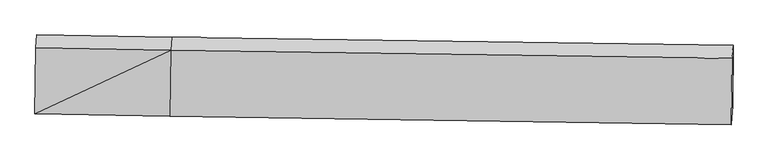
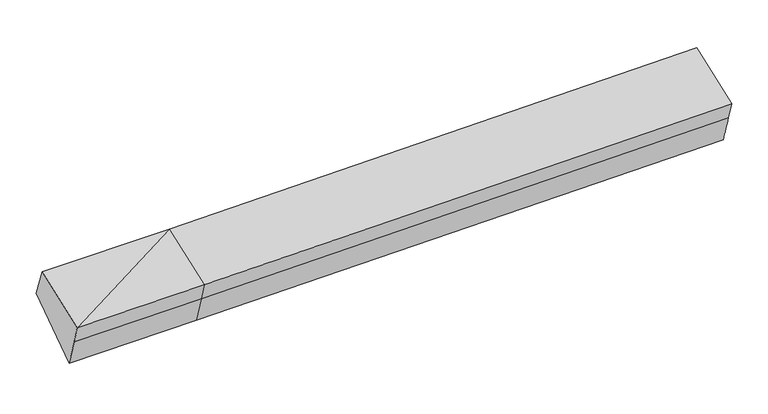
"""IFC4 building model written with IfcOpenShell, lengths in millimetres: proxy geometry."""

from ifc_helpers import new_model, si_unit, frame, origin, place, context, project, spatial, source, transform, mapped, element, save
from ifc_brep_helpers import plane_surface, spline_surface, advanced_brep


def generic_models_952d564d(model_context):
    return source(origin(), model_context, "Body", "AdvancedBrep", [
        advanced_brep(
        [(-2791.0827681, -1889.7139657, 1996.4114752), (-2785.5659094, -1824.7370798, 1796.4026381), (-1433.4408015, -1849.5823165, 1825.6269319), (-1438.9576602, -1914.5592024, 2025.635769), (-2783.8885407, -1227.3714064, 2226.650133), (-1431.7634328, -1252.2166431, 2255.8744268), (-2774.5063312, -1100.3919531, 1900.5143988), (-1422.3812233, -1125.2371898, 1929.7386926), (-2776.6456368, -1711.4367317, 1480.0100264), (-1424.5205289, -1736.2819684, 1509.2343202), (4202.9564016, -1204.8243653, 2059.0473084), (4193.1808257, -1336.4368393, 2399.444192), (4185.9865983, -1998.7793986, 2169.2055341), (4191.6345791, -1932.2581724, 1964.4429806), (4200.817096, -1815.869144, 1638.542936)],
        [
            (0, 1),
            (1, 2),
            (2, 3),
            (3, 0),
            (4, 0),
            (0, 5),
            (5, 4),
            (6, 4),
            (5, 7),
            (7, 6),
            (8, 6),
            (7, 9),
            (9, 8),
            (1, 8),
            (9, 2),
            (10, 11),
            (11, 12),
            (12, 13),
            (13, 14),
            (14, 10),
            (3, 5),
            (5, 11),
            (10, 7),
            (3, 12),
            (2, 13),
            (9, 14),
        ],
        [
            plane_surface(frame((-2788.3243388, -1857.2255227, 1896.4070566), z_axis=(-0.010789772477835014, -0.9509275278129558, -0.3092255126237435), x_axis=(0.02622442320573193, 0.30886804532151635, -0.9507432935376365))),
            plane_surface(frame((-2787.4856544, -1558.5426861, 2111.5308041), z_axis=(-0.026436548514064455, -0.32796981964045646, 0.9443182230094208), x_axis=(-0.010259067465430805, -0.9445096240791835, -0.3283235013771316))),
            plane_surface(frame((-2779.197436, -1163.8816797, 2063.5822659), z_axis=(0.009274081256658993, 0.9317305851241284, 0.3630318280276455), x_axis=(-0.026797965957171, -0.3626854688534447, 0.9315262313553576))),
            plane_surface(frame((-2775.575984, -1405.9143424, 1690.2622126), z_axis=(0.028210308550938944, 0.5666124479158969, -0.8235013736225435), x_axis=(0.00288410368356564, 0.8237796831920225, 0.5669027390178967))),
            plane_surface(frame((-2781.1057731, -1768.0869058, 1638.2063322), z_axis=(-0.010004940400817421, -0.9413193241953838, -0.33736898355350087), x_axis=(0.026533765849815958, 0.337017154562702, -0.941124538411515))),
            plane_surface(frame((4194.9151002, -1657.6335839, 2046.1365902), z_axis=(0.9995978493561316, -0.018367564531153485, 0.02160490999265371), x_axis=(-0.026776125364149486, -0.36049764660755274, 0.9323757214239866))),
            plane_surface(frame((-2782.3378373, -1550.7302273, 1879.9977343), z_axis=(-0.9995978493561315, 0.01836756453115372, -0.021604909992654363), x_axis=(-0.02622442320573193, -0.30886804532151635, 0.9507432935376365))),
            plane_surface(frame((-2791.0827681, -1889.7139657, 1996.4114752), z_axis=(-0.026436548514064472, -0.32796981964045646, 0.9443182230094208), x_axis=(-0.010259067465430805, -0.9445096240791835, -0.3283235013771316))),
            spline_surface(1, 1, [[(-1422.3812233, -1125.2371898, 1929.7386926), (4202.9564016, -1204.8243653, 2059.0473084)], [(-1431.7634328, -1252.2166431, 2255.8744268), (4193.1808257, -1336.4368393, 2399.444192)]], [2, 2], [2, 2], [0.0, 1.0], [0.0, 1.0]),
            plane_surface(frame((-1435.3605465, -1583.3879228, 2140.7550979), z_axis=(-0.02901090332621549, -0.3279214266498903, 0.9442594481561186), x_axis=(-0.010259067465430809, -0.9445096240791837, -0.3283235013771309))),
            plane_surface(frame((-1436.1992309, -1882.0707594, 1925.6313505), z_axis=(-0.006348892924410313, -0.9509997428550752, -0.30912648001783266), x_axis=(0.02622442320573243, 0.3088680453215175, -0.9507432935376361))),
            spline_surface(1, 1, [[(-1433.4408015, -1849.5823165, 1825.6269319), (4191.6345791, -1932.2581724, 1964.4429806)], [(-1424.5205289, -1736.2819684, 1509.2343202), (4200.817096, -1815.869144, 1638.542936)]], [2, 2], [2, 2], [0.0, 1.0], [0.0, 1.0]),
            plane_surface(frame((-1423.4508761, -1430.7595791, 1719.4865064), z_axis=(0.02694703394867009, 0.5666352076489624, -0.8235280194468106), x_axis=(0.00288410368356491, 0.8237796831920225, 0.5669027390178967))),
        ],
        [
            (0, [[1, 2, 3, 4]]),
            (1, [[5, 6, 7]]),
            (2, [[8, -7, 9, 10]]),
            (3, [[11, -10, 12, 13]]),
            (4, [[14, -13, 15, -2]]),
            (5, [[16, 17, 18, 19, 20]]),
            (6, [[-1, -5, -8, -11, -14]]),
            (7, [[21, -6, -4]]),
            (8, [[-9, 22, -16, 23]]),
            (9, [[-21, 24, -17, -22]]),
            (10, [[-3, 25, -18, -24]]),
            (11, [[-15, 26, -19, -25]]),
            (12, [[-12, -23, -20, -26]]),
        ],
    ),
    ])


if __name__ == "__main__":
    model = new_model("IFC4")
    model_context = context("Model", 3, world=origin())
    ifc_project = project(units=[si_unit("LENGTHUNIT", "METRE", prefix="MILLI")], contexts=[model_context])
    site = spatial("IfcSite", under=ifc_project)
    building = spatial("IfcBuilding", under=site)
    placement = place(None, origin())
    generic_models_shape = generic_models_952d564d(model_context)
    element("IfcBuildingElementProxy", 1, Name="Generic Models", at=placement, inside=building, context=model_context, shape_type="MappedRepresentation", body=[
        mapped(generic_models_shape, transform((0.0, 0.0, 0.0), x_axis=(1.0, 0.0, 0.0), y_axis=(0.0, 1.0, 0.0), z_axis=(0.0, 0.0, 1.0))),
    ])
    save(model, "model.ifc")
